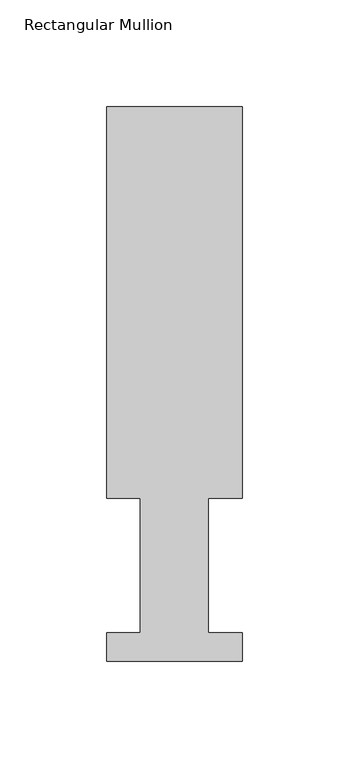
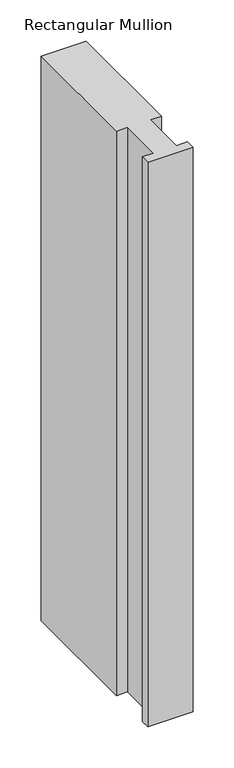
"""IFC4 building model written with IfcOpenShell, lengths in millimetres: member geometry, Rectangular Mullion."""

from ifc_helpers import new_model, si_unit, frame, origin, place, context, project, spatial, polyline, outline, extrude, source, transform, mapped, element, save


def rectangular_mullion_9e26e80f(model_context):
    return source(origin(), model_context, "Body", "SweptSolid", [
        extrude(outline(polyline([(31.75, 76.2992187), (15.875, 76.2992187), (15.875, 13.1492189), (31.75, 13.1492189), (31.75, -0.0333811), (-31.75, -0.0333811), (-31.75, 13.1492189), (-15.875, 13.1492189), (-15.875, 76.2992187), (-31.75, 76.2992187), (-31.75, 259.9671074), (31.75, 259.9671074), (31.75, 76.2992187)])), frame((0.0, 0.0, -838.2), z_axis=(0.0, 0.0, 1.0), x_axis=(1.0, 0.0, 0.0)), (0.0, 0.0, 1.0), 838.2),
    ])


if __name__ == "__main__":
    model = new_model("IFC4")
    model_context = context("Model", 3, world=origin())
    ifc_project = project(units=[si_unit("LENGTHUNIT", "METRE", prefix="MILLI")], contexts=[model_context])
    site = spatial("IfcSite", under=ifc_project)
    building = spatial("IfcBuilding", under=site)
    placement = place(None, origin())
    rectangular_mullion_shape = rectangular_mullion_9e26e80f(model_context)
    element("IfcMember", 1, ObjectType="Rectangular Mullion", at=placement, inside=building, context=model_context, shape_type="MappedRepresentation", body=[
        mapped(rectangular_mullion_shape, transform((0.0, 0.0, 0.0), x_axis=(1.0, 0.0, 0.0), y_axis=(0.0, 1.0, 0.0), z_axis=(0.0, 0.0, 1.0))),
    ])
    save(model, "model.ifc")
